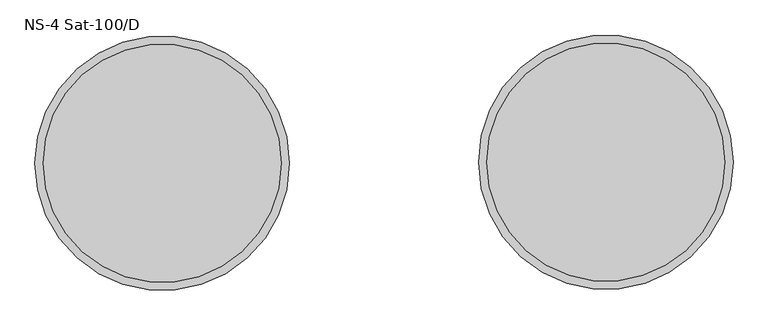
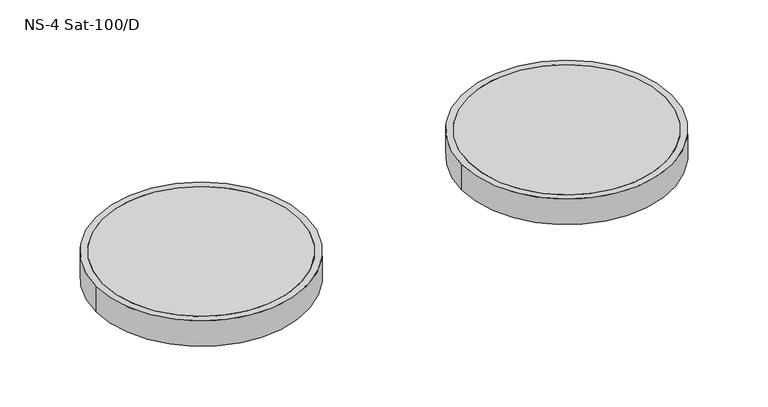
"""IFC4 building model written with IfcOpenShell, lengths in millimetres: unitary equipment geometry, NS-4 Sat-100/D."""

from ifc_helpers import new_model, si_unit, point, frame, frame_2d, origin, place, context, project, spatial, circle_curve, trimmed, segment, composite_curve, outline, extrude, source, transform, mapped, element, save


def ns_4_sat_100_d_4649e75f(model_context):
    return source(origin(), model_context, "Body", "SweptSolid", [
        extrude(outline(composite_curve([segment(trimmed(circle_curve(frame_2d((680.0, 3.75)), 365.0), [point((1045.0, 3.75))], [point((315.0, 3.75))], False, "CARTESIAN"), True, "CONTINUOUS"), segment(trimmed(circle_curve(frame_2d((680.0, 3.75)), 365.0), [point((315.0, 3.75))], [point((1045.0, 3.75))], False, "CARTESIAN"), True, "CONTINUOUS")], self_intersect=False)), frame((0.0, 0.0, -100.0), z_axis=(0.0, 0.0, 1.0), x_axis=(1.0, 0.0, 0.0)), (0.0, 0.0, 1.0), 100.0),
        extrude(outline(composite_curve([segment(trimmed(circle_curve(frame_2d((680.0, 3.75)), 390.0), [point((290.0, 3.75))], [point((1070.0, 3.75))], False, "CARTESIAN"), True, "CONTINUOUS"), segment(trimmed(circle_curve(frame_2d((680.0, 3.75)), 390.0), [point((1070.0, 3.75))], [point((290.0, 3.75))], False, "CARTESIAN"), True, "CONTINUOUS")], self_intersect=False), holes=[composite_curve([segment(trimmed(circle_curve(frame_2d((680.0, 3.75)), 365.0), [point((315.0, 3.75))], [point((1045.0, 3.75))], True, "CARTESIAN"), True, "CONTINUOUS"), segment(trimmed(circle_curve(frame_2d((680.0, 3.75)), 365.0), [point((1045.0, 3.75))], [point((315.0, 3.75))], True, "CARTESIAN"), True, "CONTINUOUS")], self_intersect=False)]), frame((0.0, 0.0, -100.0), z_axis=(0.0, 0.0, 1.0), x_axis=(1.0, 0.0, 0.0)), (0.0, 0.0, 1.0), 100.0),
        extrude(outline(composite_curve([segment(trimmed(circle_curve(frame_2d((-680.0, 0.0)), 365.0), [point((-315.0, 0.0))], [point((-1045.0, 0.0))], False, "CARTESIAN"), True, "CONTINUOUS"), segment(trimmed(circle_curve(frame_2d((-680.0, 0.0)), 365.0), [point((-1045.0, 0.0))], [point((-315.0, 0.0))], False, "CARTESIAN"), True, "CONTINUOUS")], self_intersect=False)), frame((0.0, 0.0, -100.0), z_axis=(0.0, 0.0, 1.0), x_axis=(1.0, 0.0, 0.0)), (0.0, 0.0, 1.0), 100.0),
        extrude(outline(composite_curve([segment(trimmed(circle_curve(frame_2d((-680.0, 0.0)), 390.0), [point((-1070.0, 0.0))], [point((-290.0, 0.0))], False, "CARTESIAN"), True, "CONTINUOUS"), segment(trimmed(circle_curve(frame_2d((-680.0, 0.0)), 390.0), [point((-290.0, 0.0))], [point((-1070.0, 0.0))], False, "CARTESIAN"), True, "CONTINUOUS")], self_intersect=False), holes=[composite_curve([segment(trimmed(circle_curve(frame_2d((-680.0, 0.0)), 365.0), [point((-1045.0, 0.0))], [point((-315.0, 0.0))], True, "CARTESIAN"), True, "CONTINUOUS"), segment(trimmed(circle_curve(frame_2d((-680.0, 0.0)), 365.0), [point((-315.0, 0.0))], [point((-1045.0, 0.0))], True, "CARTESIAN"), True, "CONTINUOUS")], self_intersect=False)]), frame((0.0, 0.0, -100.0), z_axis=(0.0, 0.0, 1.0), x_axis=(1.0, 0.0, 0.0)), (0.0, 0.0, 1.0), 100.0),
    ])


if __name__ == "__main__":
    model = new_model("IFC4")
    model_context = context("Model", 3, world=origin())
    ifc_project = project(units=[si_unit("LENGTHUNIT", "METRE", prefix="MILLI")], contexts=[model_context])
    site = spatial("IfcSite", under=ifc_project)
    building = spatial("IfcBuilding", under=site)
    placement = place(None, origin())
    ns_4_sat_100_d_shape = ns_4_sat_100_d_4649e75f(model_context)
    element("IfcUnitaryEquipment", 1, ObjectType="NS-4 Sat-100/D", at=placement, inside=building, context=model_context, shape_type="MappedRepresentation", body=[
        mapped(ns_4_sat_100_d_shape, transform((0.0, 0.0, 0.0), x_axis=(1.0, 0.0, 0.0), y_axis=(0.0, 1.0, 0.0), z_axis=(0.0, 0.0, 1.0))),
    ])
    save(model, "model.ifc")
